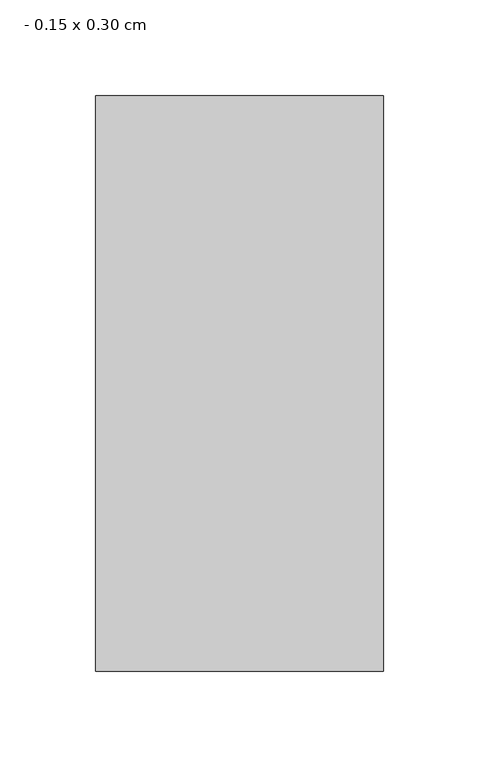
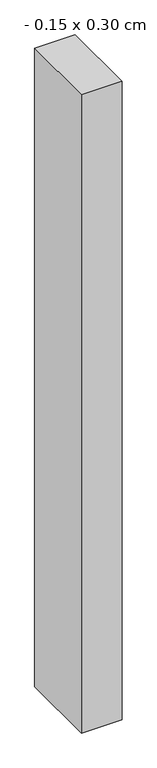
"""IFC4 building model written with IfcOpenShell, lengths in millimetres: column geometry, - 0.15 x 0.30 cm."""

from ifc_helpers import new_model, si_unit, origin, origin_with_axes, place, context, project, spatial, polyline, outline, extrude, source, transform, mapped, element, save


def column_0_15_x_0_30_cm_678780c0(model_context):
    return source(origin(), model_context, "Body", "SweptSolid", [
        extrude(outline(polyline([(75.0, 150.0), (75.0, -150.0), (-75.0, -150.0), (-75.0, 150.0), (75.0, 150.0)])), origin_with_axes(), (0.0, 0.0, 1.0), 2500.0),
    ])


if __name__ == "__main__":
    model = new_model("IFC4")
    model_context = context("Model", 3, world=origin())
    ifc_project = project(units=[si_unit("LENGTHUNIT", "METRE", prefix="MILLI")], contexts=[model_context])
    site = spatial("IfcSite", under=ifc_project)
    building = spatial("IfcBuilding", under=site)
    placement = place(None, origin())
    column_0_15_x_0_30_cm_shape = column_0_15_x_0_30_cm_678780c0(model_context)
    element("IfcColumn", 1, ObjectType="- 0.15 x 0.30 cm", at=placement, inside=building, context=model_context, shape_type="MappedRepresentation", body=[
        mapped(column_0_15_x_0_30_cm_shape, transform((0.0, 0.0, 0.0), x_axis=(1.0, 0.0, 0.0), y_axis=(0.0, 1.0, 0.0), z_axis=(0.0, 0.0, 1.0))),
    ])
    save(model, "model.ifc")
